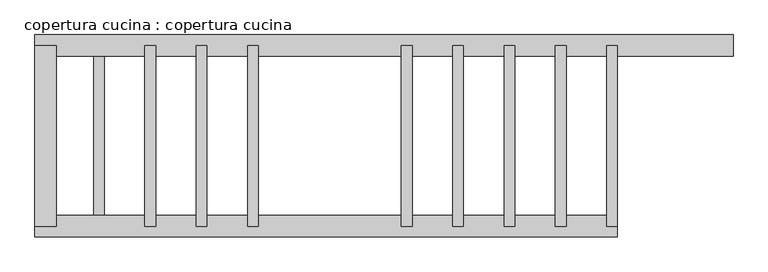
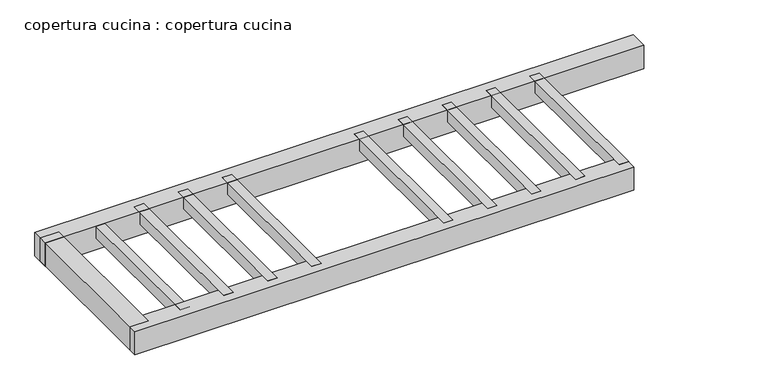
"""IFC4 building model written with IfcOpenShell, lengths in millimetres: proxy geometry, copertura cucina : copertura cucina."""

from ifc_helpers import new_model, si_unit, frame, origin, place, context, project, spatial, polyline, outline, extrude, source, transform, mapped, element, save


def copertura_cucina_copertura_cucina_eb31186f(model_context):
    return source(origin(), model_context, "Body", "SweptSolid", [
        extrude(outline(polyline([(3275.0, -1243.0864198), (3125.0, -1243.0864198), (3125.0, 1296.9135802), (3275.0, 1296.9135802), (3275.0, -1243.0864198)])), frame((0.0, 0.0, 400.0), z_axis=(0.0, 0.0, 1.0), x_axis=(1.0, 0.0, 0.0)), (0.0, 0.0, 1.0), 200.0),
        extrude(outline(polyline([(2555.0, -1243.0864198), (2405.0, -1243.0864198), (2405.0, 1296.9135802), (2555.0, 1296.9135802), (2555.0, -1243.0864198)])), frame((0.0, 0.0, 400.0), z_axis=(0.0, 0.0, 1.0), x_axis=(1.0, 0.0, 0.0)), (0.0, 0.0, 1.0), 200.0),
        extrude(outline(polyline([(1835.0, -1243.0864198), (1685.0, -1243.0864198), (1685.0, 1296.9135802), (1835.0, 1296.9135802), (1835.0, -1243.0864198)])), frame((0.0, 0.0, 400.0), z_axis=(0.0, 0.0, 1.0), x_axis=(1.0, 0.0, 0.0)), (0.0, 0.0, 1.0), 200.0),
        extrude(outline(polyline([(1115.0, -1243.0864198), (965.0, -1243.0864198), (965.0, 1296.9135802), (1115.0, 1296.9135802), (1115.0, -1243.0864198)])), frame((0.0, 0.0, 400.0), z_axis=(0.0, 0.0, 1.0), x_axis=(1.0, 0.0, 0.0)), (0.0, 0.0, 1.0), 200.0),
        extrude(outline(polyline([(395.0, -1243.0864198), (245.0, -1243.0864198), (245.0, 1296.9135802), (395.0, 1296.9135802), (395.0, -1243.0864198)])), frame((0.0, 0.0, 400.0), z_axis=(0.0, 0.0, 1.0), x_axis=(1.0, 0.0, 0.0)), (0.0, 0.0, 1.0), 200.0),
        extrude(outline(polyline([(-1765.0, -1243.0864198), (-1915.0, -1243.0864198), (-1915.0, 1296.9135802), (-1765.0, 1296.9135802), (-1765.0, -1243.0864198)])), frame((0.0, 0.0, 400.0), z_axis=(0.0, 0.0, 1.0), x_axis=(1.0, 0.0, 0.0)), (0.0, 0.0, 1.0), 200.0),
        extrude(outline(polyline([(-2485.0, -1243.0864198), (-2635.0, -1243.0864198), (-2635.0, 1296.9135802), (-2485.0, 1296.9135802), (-2485.0, -1243.0864198)])), frame((0.0, 0.0, 400.0), z_axis=(0.0, 0.0, 1.0), x_axis=(1.0, 0.0, 0.0)), (0.0, 0.0, 1.0), 200.0),
        extrude(outline(polyline([(-3205.0, -1243.0864198), (-3355.0, -1243.0864198), (-3355.0, 1296.9135802), (-3205.0, 1296.9135802), (-3205.0, -1243.0864198)])), frame((0.0, 0.0, 400.0), z_axis=(0.0, 0.0, 1.0), x_axis=(1.0, 0.0, 0.0)), (0.0, 0.0, 1.0), 200.0),
        extrude(outline(polyline([(-4600.0, 1296.9135802), (-4600.0, -1243.0864198), (-4900.0, -1243.0864198), (-4900.0, 1296.9135802), (-4600.0, 1296.9135802)])), frame((0.0, 0.0, 200.0), z_axis=(0.0, 0.0, 1.0), x_axis=(1.0, 0.0, 0.0)), (0.0, 0.0, 1.0), 400.0),
        extrude(outline(polyline([(3275.0, -1393.0864198), (-4900.0, -1393.0864198), (-4900.0, -1093.0864198), (3275.0, -1093.0864198), (3275.0, -1393.0864198)])), frame((0.0, 0.0, 200.0), z_axis=(0.0, 0.0, 1.0), x_axis=(1.0, 0.0, 0.0)), (0.0, 0.0, 1.0), 400.0),
        extrude(outline(polyline([(4900.0, 1446.9135802), (4900.0, 1146.9135802), (-4900.0, 1146.9135802), (-4900.0, 1446.9135802), (4900.0, 1446.9135802)])), frame((0.0, 0.0, 200.0), z_axis=(0.0, 0.0, 1.0), x_axis=(1.0, 0.0, 0.0)), (0.0, 0.0, 1.0), 400.0),
        extrude(outline(polyline([(-3925.0, -1243.0864198), (-4075.0, -1243.0864198), (-4075.0, 1296.9135802), (-3925.0, 1296.9135802), (-3925.0, -1243.0864198)])), frame((0.0, 0.0, 400.0), z_axis=(0.0, 0.0, 1.0), x_axis=(1.0, 0.0, 0.0)), (0.0, 0.0, 1.0), 200.0),
    ])


if __name__ == "__main__":
    model = new_model("IFC4")
    model_context = context("Model", 3, world=origin())
    ifc_project = project(units=[si_unit("LENGTHUNIT", "METRE", prefix="MILLI")], contexts=[model_context])
    site = spatial("IfcSite", under=ifc_project)
    building = spatial("IfcBuilding", under=site)
    placement = place(None, origin())
    copertura_cucina_copertura_cucina_shape = copertura_cucina_copertura_cucina_eb31186f(model_context)
    element("IfcBuildingElementProxy", 1, Name="copertura cucina : copertura cucina", ObjectType="copertura cucina : copertura cucina", at=placement, inside=building, context=model_context, shape_type="MappedRepresentation", body=[
        mapped(copertura_cucina_copertura_cucina_shape, transform((0.0, 0.0, 0.0), x_axis=(1.0, 0.0, 0.0), y_axis=(0.0, 1.0, 0.0), z_axis=(0.0, 0.0, 1.0))),
    ])
    save(model, "model.ifc")
